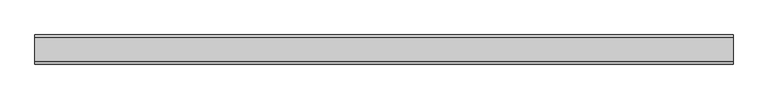
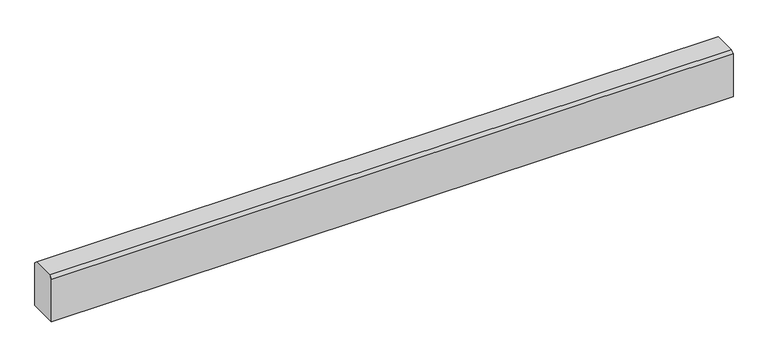
"""IFC4 building model written with IfcOpenShell, lengths in millimetres: proxy geometry."""

from ifc_helpers import new_model, si_unit, frame, origin, place, context, project, spatial, polyline, outline, extrude, source, transform, mapped, element, save


def generic_models_182662a5(model_context):
    return source(origin(), model_context, "Body", "SweptSolid", [
        extrude(outline(polyline([(-1155.0540151, -20.0), (-1155.0540151, 138.3316546), (-1144.7856698, 148.6), (-1065.3223642, 148.6), (-1055.0540151, 138.3316509), (-1055.0540151, -20.0), (-1155.0540151, -20.0)])), frame((1584.6309284, 0.0, 0.0), z_axis=(1.0, 0.0, 0.0), x_axis=(0.0, 1.0, 0.0)), (0.0, 0.0, 1.0), 2400.0),
    ])


if __name__ == "__main__":
    model = new_model("IFC4")
    model_context = context("Model", 3, world=origin())
    ifc_project = project(units=[si_unit("LENGTHUNIT", "METRE", prefix="MILLI")], contexts=[model_context])
    site = spatial("IfcSite", under=ifc_project)
    building = spatial("IfcBuilding", under=site)
    placement = place(None, origin())
    generic_models_shape = generic_models_182662a5(model_context)
    element("IfcBuildingElementProxy", 1, Name="Generic Models", at=placement, inside=building, context=model_context, shape_type="MappedRepresentation", body=[
        mapped(generic_models_shape, transform((0.0, 0.0, 0.0), x_axis=(1.0, 0.0, 0.0), y_axis=(0.0, 1.0, 0.0), z_axis=(0.0, 0.0, 1.0))),
    ])
    save(model, "model.ifc")
